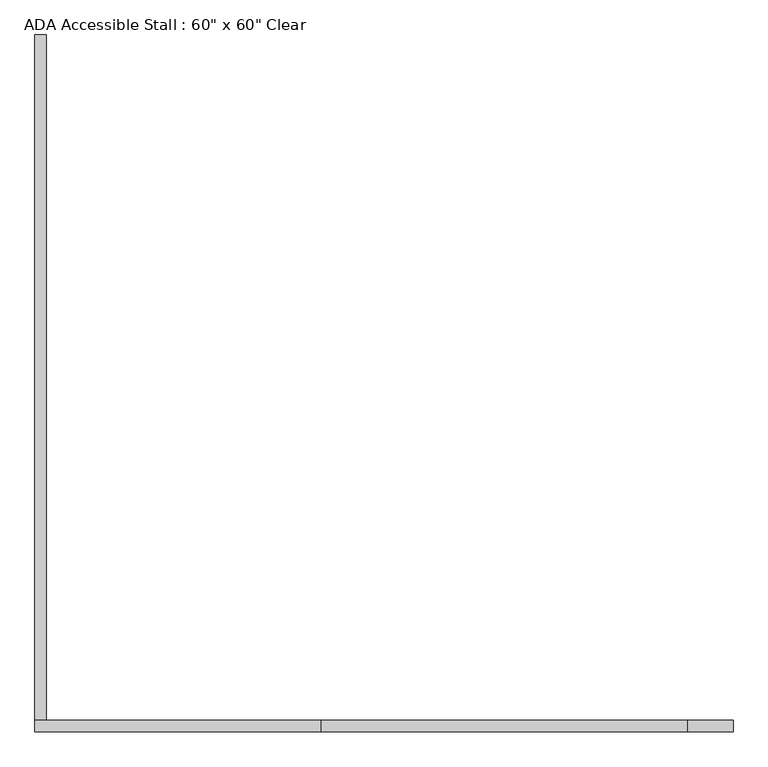
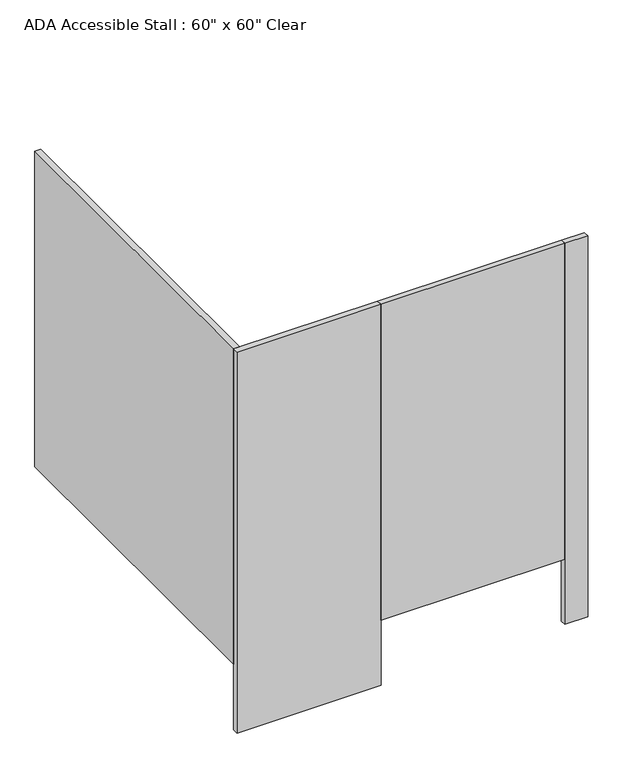
"""IFC4 building model written with IfcOpenShell, lengths in millimetres: proxy geometry."""

from ifc_helpers import new_model, si_unit, frame, origin, origin_with_axes, place, context, project, spatial, polyline, outline, extrude, source, transform, mapped, element, save


def proxy_7288723a(model_context):
    return source(origin(), model_context, "Body", "SweptSolid", [
        extrude(outline(polyline([(1370.1031538, -1611.3125), (557.3031538, -1611.3125), (557.3031538, -1585.9125), (1370.1031538, -1585.9125), (1370.1031538, -1611.3125)])), frame((0.0, 0.0, 304.8), z_axis=(0.0, 0.0, 1.0), x_axis=(1.0, 0.0, 0.0)), (0.0, 0.0, 1.0), 1473.2),
        extrude(outline(polyline([(557.3031538, -1611.3125), (-77.6968462, -1611.3125), (-77.6968462, -1585.9125), (557.3031538, -1585.9125), (557.3031538, -1611.3125)])), origin_with_axes(), (0.0, 0.0, 1.0), 1778.0),
        extrude(outline(polyline([(1471.7031538, -1611.3125), (1370.1031538, -1611.3125), (1370.1031538, -1585.9125), (1471.7031538, -1585.9125), (1471.7031538, -1611.3125)])), origin_with_axes(), (0.0, 0.0, 1.0), 1778.0),
        extrude(outline(polyline([(-77.6968462, -1585.9125), (-77.6968462, -65.0875), (-52.2968462, -65.0875), (-52.2968462, -1585.9125), (-77.6968462, -1585.9125)])), frame((0.0, 0.0, 304.8), z_axis=(0.0, 0.0, 1.0), x_axis=(1.0, 0.0, 0.0)), (0.0, 0.0, 1.0), 1473.2),
    ])


if __name__ == "__main__":
    model = new_model("IFC4")
    model_context = context("Model", 3, world=origin())
    ifc_project = project(units=[si_unit("LENGTHUNIT", "METRE", prefix="MILLI")], contexts=[model_context])
    site = spatial("IfcSite", under=ifc_project)
    building = spatial("IfcBuilding", under=site)
    placement = place(None, origin())
    proxy_shape = proxy_7288723a(model_context)
    element("IfcBuildingElementProxy", 1, Name="ADA Accessible Stall : 60\" x 60\" Clear", ObjectType="ADA Accessible Stall : 60\" x 60\" Clear", at=placement, inside=building, context=model_context, shape_type="MappedRepresentation", body=[
        mapped(proxy_shape, transform((0.0, 0.0, 0.0), x_axis=(1.0, 0.0, 0.0), y_axis=(0.0, 1.0, 0.0), z_axis=(0.0, 0.0, 1.0))),
    ])
    save(model, "model.ifc")
